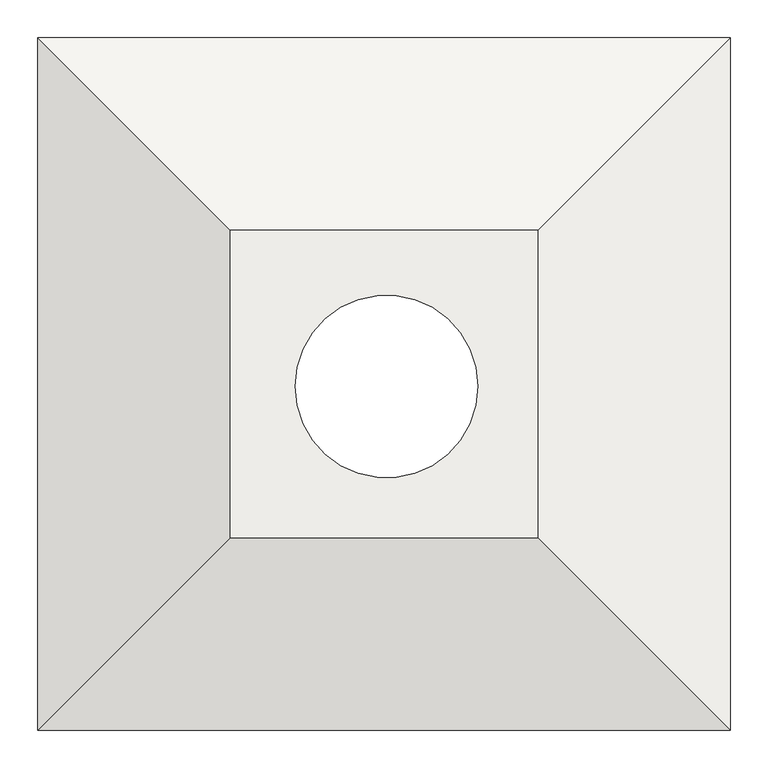
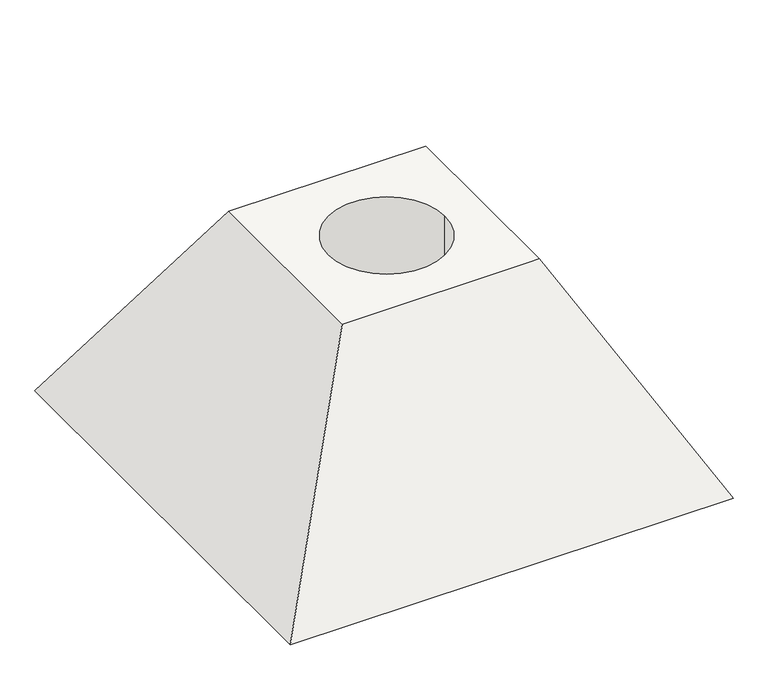
"""IFC4 building model written with IfcOpenShell, lengths in millimetres: slab geometry."""

from ifc_helpers import new_model, si_unit, frame, origin, place, context, project, spatial, polyline, circle_curve, source, transform, mapped, element, save
from ifc_brep_helpers import plane_surface, revolved_surface, advanced_brep


def slab_da20d88f(model_context):
    return source(origin(), model_context, "Body", "AdvancedBrep", [
        advanced_brep(
        [(-7991.5178132, 1899.6406373, 8534.4), (-8397.9178132, 1899.6406373, 8534.4), (-8397.9178132, 1493.2406373, 8534.4), (-7991.5178132, 1493.2406373, 8534.4), (-8070.6509889, 1693.1262406, 8534.4), (-8311.9509889, 1693.1262406, 8534.4), (-7737.5178132, 2153.6406373, 8077.2), (-7737.5178132, 1239.2406373, 8077.2), (-8651.9178132, 1239.2406373, 8077.2), (-8651.9178132, 2153.6406373, 8077.2), (-8311.9509889, 1693.1262406, 8077.2), (-8070.6509889, 1693.1262406, 8077.2)],
        [
            (0, 1),
            (1, 2),
            (2, 3),
            (3, 0),
            (4, 5, circle_curve(frame((-8191.3009889, 1693.1262406, 8534.4), z_axis=(0.0, 0.0, -1.0), x_axis=(1.0, 0.0, 0.0)), 120.65)),
            (5, 4, circle_curve(frame((-8191.3009889, 1693.1262406, 8534.4), z_axis=(0.0, 0.0, -1.0), x_axis=(1.0, 0.0, 0.0)), 120.65)),
            (6, 7),
            (7, 8),
            (8, 9),
            (9, 6),
            (10, 11, circle_curve(frame((-8191.3009889, 1693.1262406, 8077.2), z_axis=(0.0, 0.0, 1.0), x_axis=(1.0, 0.0, 0.0)), 120.65)),
            (11, 10, circle_curve(frame((-8191.3009889, 1693.1262406, 8077.2), z_axis=(0.0, 0.0, 1.0), x_axis=(1.0, 0.0, 0.0)), 120.65)),
            (0, 6),
            (9, 1),
            (8, 2),
            (7, 3),
            (4, 11),
            (10, 5),
        ],
        [
            plane_surface(frame((-8194.7178132, 1696.4406373, 8534.4), z_axis=(0.0, 0.0, 1.0), x_axis=(-1.0, 0.0, 0.0))),
            plane_surface(frame((-8194.7178132, 1696.4406373, 8077.2), z_axis=(0.0, 0.0, -1.0), x_axis=(-1.0, 0.0, 0.0))),
            plane_surface(frame((-8194.7178132, 2153.6406373, 8077.2), z_axis=(0.0, 0.8741572761215372, 0.4856429311786331), x_axis=(-1.0, 0.0, 0.0))),
            plane_surface(frame((-8651.9178132, 1696.4406373, 8077.2), z_axis=(-0.8741572761215372, 0.0, 0.4856429311786331), x_axis=(0.0, -1.0, 0.0))),
            plane_surface(frame((-8194.7178132, 1239.2406373, 8077.2), z_axis=(0.0, -0.874157276121538, 0.48564293117863155), x_axis=(1.0, 0.0, 0.0))),
            plane_surface(frame((-7737.5178132, 1696.4406373, 8077.2), z_axis=(0.874157276121546, 0.0, 0.48564293117861734), x_axis=(0.0, 1.0, 0.0))),
            revolved_surface(polyline([(-8070.650988900001, 1693.1262406, 8534.4), (-8070.650988900001, 1693.1262406, 8077.2)]), (-8191.3009889, 1693.1262406, 8077.2), (0.0, 0.0, 1.0)),
        ],
        [
            (0, [[1, 2, 3, 4], [5, 6]]),
            (1, [[7, 8, 9, 10], [11, 12]]),
            (2, [[-1, 13, -10, 14]]),
            (3, [[-2, -14, -9, 15]]),
            (4, [[-3, -15, -8, 16]]),
            (5, [[-4, -16, -7, -13]]),
            (6, [[17, -11, 18, -5]]),
            (6, [[-17, -6, -18, -12]]),
        ],
    ),
    ])


if __name__ == "__main__":
    model = new_model("IFC4")
    model_context = context("Model", 3, world=origin())
    ifc_project = project(units=[si_unit("LENGTHUNIT", "METRE", prefix="MILLI")], contexts=[model_context])
    site = spatial("IfcSite", under=ifc_project)
    building = spatial("IfcBuilding", under=site)
    placement = place(None, origin())
    slab_shape = slab_da20d88f(model_context)
    element("IfcSlab", 1, at=placement, inside=building, context=model_context, shape_type="MappedRepresentation", body=[
        mapped(slab_shape, transform((0.0, 0.0, 0.0), x_axis=(1.0, 0.0, 0.0), y_axis=(0.0, 1.0, 0.0), z_axis=(0.0, 0.0, 1.0))),
    ])
    save(model, "model.ifc")
